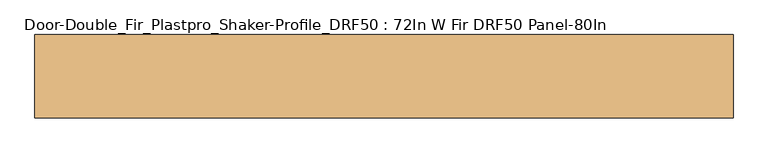
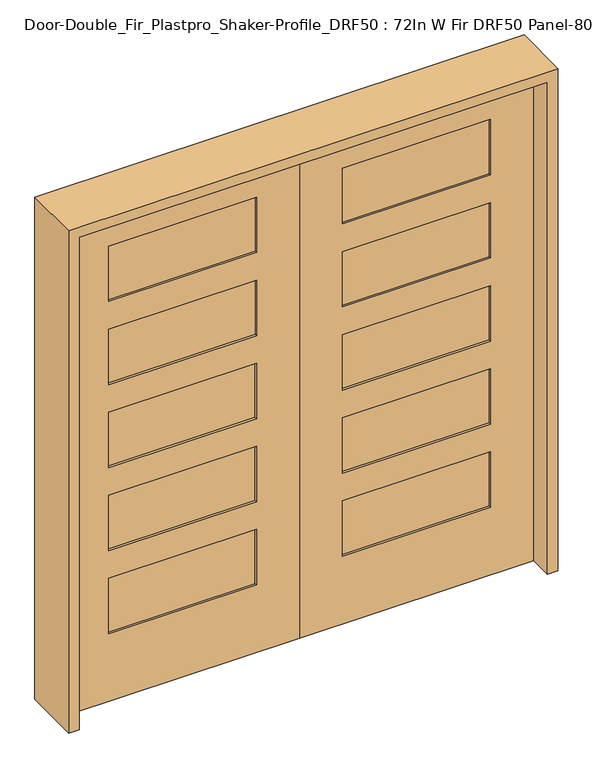
"""IFC4 building model written with IfcOpenShell, lengths in millimetres: door geometry, Door-Double_Fir_Plastpro_Shaker-Profile_DRF50 : 72In W Fir DRF50 Panel-80In."""

from ifc_helpers import new_model, si_unit, frame, origin, place, context, project, spatial, polyline, outline, extrude, faceted_brep, source, transform, mapped, element, save


def door_double_fir_plastpro_shaker_profile_drf50_72in_w_fir_e8a4a847(model_context):
    return source(origin(), model_context, "Body", "SolidModel", [
        faceted_brep([(-914.4, 20.574, 0.0), (0.0, 20.574, 0.0), (0.0, -20.701, 0.0), (-914.4, -20.701, 0.0), (-914.4, 20.574, 2032.0), (-914.4, -20.701, 2032.0), (0.0, -20.701, 2032.0), (-168.275, -20.701, 965.2), (-746.125, -20.701, 965.2), (-746.125, -20.701, 1193.8), (-168.275, -20.701, 1193.8), (-168.275, -20.701, 622.3), (-746.125, -20.701, 622.3), (-746.125, -20.701, 850.9), (-168.275, -20.701, 850.9), (-168.275, -20.701, 279.4), (-746.125, -20.701, 279.4), (-746.125, -20.701, 508.0), (-168.275, -20.701, 508.0), (-168.275, -20.701, 1651.0), (-746.125, -20.701, 1651.0), (-746.125, -20.701, 1879.6), (-168.275, -20.701, 1879.6), (-168.275, -20.701, 1308.1), (-746.125, -20.701, 1308.1), (-746.125, -20.701, 1536.7), (-168.275, -20.701, 1536.7), (0.0, 20.574, 2032.0), (-168.275, 20.574, 1193.8), (-746.125, 20.574, 1193.8), (-746.125, 20.574, 965.2), (-168.275, 20.574, 965.2), (-168.275, 20.574, 850.9), (-746.125, 20.574, 850.9), (-746.125, 20.574, 622.3), (-168.275, 20.574, 622.3), (-168.275, 20.574, 508.0), (-746.125, 20.574, 508.0), (-746.125, 20.574, 279.4), (-168.275, 20.574, 279.4), (-168.275, 20.574, 1879.6), (-746.125, 20.574, 1879.6), (-746.125, 20.574, 1651.0), (-168.275, 20.574, 1651.0), (-168.275, 20.574, 1536.7), (-746.125, 20.574, 1536.7), (-746.125, 20.574, 1308.1), (-168.275, 20.574, 1308.1), (-168.275, 11.5937439, 1193.8), (-168.275, 11.5937439, 965.2), (-746.125, 11.5937439, 965.2), (-746.125, 11.5937439, 1193.8), (-168.275, 11.5937439, 850.9), (-168.275, 11.5937439, 622.3), (-746.125, 11.5937439, 622.3), (-746.125, 11.5937439, 850.9), (-168.275, 11.5937439, 508.0), (-168.275, 11.5937439, 279.4), (-746.125, 11.5937439, 279.4), (-746.125, 11.5937439, 508.0), (-168.275, -11.7207439, 965.2), (-168.275, -11.7207439, 1193.8), (-746.125, -11.7207439, 1193.8), (-746.125, -11.7207439, 965.2), (-168.275, -11.7207439, 622.3), (-168.275, -11.7207439, 850.9), (-746.125, -11.7207439, 850.9), (-746.125, -11.7207439, 622.3), (-168.275, -11.7207439, 279.4), (-168.275, -11.7207439, 508.0), (-746.125, -11.7207439, 508.0), (-746.125, -11.7207439, 279.4), (-168.275, -11.7207439, 1651.0), (-168.275, -11.7207439, 1879.6), (-746.125, -11.7207439, 1879.6), (-746.125, -11.7207439, 1651.0), (-168.275, -11.7207439, 1308.1), (-168.275, -11.7207439, 1536.7), (-746.125, -11.7207439, 1536.7), (-746.125, -11.7207439, 1308.1), (-168.275, 11.5937439, 1651.0), (-746.125, 11.5937439, 1651.0), (-746.125, 11.5937439, 1879.6), (-168.275, 11.5937439, 1879.6), (-168.275, 11.5937439, 1308.1), (-746.125, 11.5937439, 1308.1), (-746.125, 11.5937439, 1536.7), (-168.275, 11.5937439, 1536.7)], [[[0, 1, 2, 3]], [[4, 0, 3, 5]], [[5, 3, 2, 6], [7, 8, 9, 10], [11, 12, 13, 14], [15, 16, 17, 18], [19, 20, 21, 22], [23, 24, 25, 26]], [[6, 2, 1, 27]], [[27, 1, 0, 4], [28, 29, 30, 31], [32, 33, 34, 35], [36, 37, 38, 39], [40, 41, 42, 43], [44, 45, 46, 47]], [[48, 28, 31, 49]], [[49, 31, 30, 50]], [[50, 30, 29, 51]], [[51, 29, 28, 48]], [[52, 32, 35, 53]], [[53, 35, 34, 54]], [[54, 34, 33, 55]], [[55, 33, 32, 52]], [[56, 36, 39, 57]], [[57, 39, 38, 58]], [[58, 38, 37, 59]], [[59, 37, 36, 56]], [[60, 7, 10, 61]], [[61, 10, 9, 62]], [[62, 9, 8, 63]], [[63, 8, 7, 60]], [[64, 11, 14, 65]], [[65, 14, 13, 66]], [[66, 13, 12, 67]], [[67, 12, 11, 64]], [[68, 15, 18, 69]], [[69, 18, 17, 70]], [[70, 17, 16, 71]], [[71, 16, 15, 68]], [[60, 61, 62, 63]], [[64, 65, 66, 67]], [[68, 69, 70, 71]], [[72, 73, 74, 75]], [[76, 77, 78, 79]], [[49, 50, 51, 48]], [[53, 54, 55, 52]], [[57, 58, 59, 56]], [[80, 81, 82, 83]], [[84, 85, 86, 87]], [[4, 5, 6, 27]], [[72, 19, 22, 73]], [[73, 22, 21, 74]], [[74, 21, 20, 75]], [[75, 20, 19, 72]], [[76, 23, 26, 77]], [[77, 26, 25, 78]], [[78, 25, 24, 79]], [[79, 24, 23, 76]], [[83, 40, 43, 80]], [[82, 41, 40, 83]], [[81, 42, 41, 82]], [[80, 43, 42, 81]], [[87, 44, 47, 84]], [[86, 45, 44, 87]], [[85, 46, 45, 86]], [[84, 47, 46, 85]]]),
        faceted_brep([(914.4, 20.574, 0.0), (914.4, -20.701, 0.0), (0.0, -20.701, 0.0), (0.0, 20.574, 0.0), (914.4, 20.574, 2032.0), (914.4, -20.701, 2032.0), (0.0, -20.701, 2032.0), (168.275, -20.701, 965.2), (168.275, -20.701, 1193.8), (746.125, -20.701, 1193.8), (746.125, -20.701, 965.2), (168.275, -20.701, 622.3), (168.275, -20.701, 850.9), (746.125, -20.701, 850.9), (746.125, -20.701, 622.3), (168.275, -20.701, 279.4), (168.275, -20.701, 508.0), (746.125, -20.701, 508.0), (746.125, -20.701, 279.4), (168.275, -20.701, 1651.0), (168.275, -20.701, 1879.6), (746.125, -20.701, 1879.6), (746.125, -20.701, 1651.0), (168.275, -20.701, 1308.1), (168.275, -20.701, 1536.7), (746.125, -20.701, 1536.7), (746.125, -20.701, 1308.1), (0.0, 20.574, 2032.0), (168.275, 20.574, 1193.8), (168.275, 20.574, 965.2), (746.125, 20.574, 965.2), (746.125, 20.574, 1193.8), (168.275, 20.574, 850.9), (168.275, 20.574, 622.3), (746.125, 20.574, 622.3), (746.125, 20.574, 850.9), (168.275, 20.574, 508.0), (168.275, 20.574, 279.4), (746.125, 20.574, 279.4), (746.125, 20.574, 508.0), (168.275, 20.574, 1879.6), (168.275, 20.574, 1651.0), (746.125, 20.574, 1651.0), (746.125, 20.574, 1879.6), (168.275, 20.574, 1536.7), (168.275, 20.574, 1308.1), (746.125, 20.574, 1308.1), (746.125, 20.574, 1536.7), (168.275, 11.5937439, 1193.8), (168.275, 11.5937439, 965.2), (746.125, 11.5937439, 965.2), (746.125, 11.5937439, 1193.8), (168.275, 11.5937439, 850.9), (168.275, 11.5937439, 622.3), (746.125, 11.5937439, 622.3), (746.125, 11.5937439, 850.9), (168.275, 11.5937439, 508.0), (168.275, 11.5937439, 279.4), (746.125, 11.5937439, 279.4), (746.125, 11.5937439, 508.0), (168.275, -11.7207439, 965.2), (168.275, -11.7207439, 1193.8), (746.125, -11.7207439, 1193.8), (746.125, -11.7207439, 965.2), (168.275, -11.7207439, 622.3), (168.275, -11.7207439, 850.9), (746.125, -11.7207439, 850.9), (746.125, -11.7207439, 622.3), (168.275, -11.7207439, 279.4), (168.275, -11.7207439, 508.0), (746.125, -11.7207439, 508.0), (746.125, -11.7207439, 279.4), (168.275, -11.7207439, 1651.0), (746.125, -11.7207439, 1651.0), (746.125, -11.7207439, 1879.6), (168.275, -11.7207439, 1879.6), (168.275, -11.7207439, 1308.1), (746.125, -11.7207439, 1308.1), (746.125, -11.7207439, 1536.7), (168.275, -11.7207439, 1536.7), (168.275, 11.5937439, 1651.0), (168.275, 11.5937439, 1879.6), (746.125, 11.5937439, 1879.6), (746.125, 11.5937439, 1651.0), (168.275, 11.5937439, 1308.1), (168.275, 11.5937439, 1536.7), (746.125, 11.5937439, 1536.7), (746.125, 11.5937439, 1308.1)], [[[0, 1, 2, 3]], [[4, 5, 1, 0]], [[5, 6, 2, 1], [7, 8, 9, 10], [11, 12, 13, 14], [15, 16, 17, 18], [19, 20, 21, 22], [23, 24, 25, 26]], [[6, 27, 3, 2]], [[27, 4, 0, 3], [28, 29, 30, 31], [32, 33, 34, 35], [36, 37, 38, 39], [40, 41, 42, 43], [44, 45, 46, 47]], [[48, 49, 29, 28]], [[49, 50, 30, 29]], [[50, 51, 31, 30]], [[51, 48, 28, 31]], [[52, 53, 33, 32]], [[53, 54, 34, 33]], [[54, 55, 35, 34]], [[55, 52, 32, 35]], [[56, 57, 37, 36]], [[57, 58, 38, 37]], [[58, 59, 39, 38]], [[59, 56, 36, 39]], [[60, 61, 8, 7]], [[61, 62, 9, 8]], [[62, 63, 10, 9]], [[63, 60, 7, 10]], [[64, 65, 12, 11]], [[65, 66, 13, 12]], [[66, 67, 14, 13]], [[67, 64, 11, 14]], [[68, 69, 16, 15]], [[69, 70, 17, 16]], [[70, 71, 18, 17]], [[71, 68, 15, 18]], [[60, 63, 62, 61]], [[64, 67, 66, 65]], [[68, 71, 70, 69]], [[72, 73, 74, 75]], [[76, 77, 78, 79]], [[49, 48, 51, 50]], [[53, 52, 55, 54]], [[57, 56, 59, 58]], [[80, 81, 82, 83]], [[84, 85, 86, 87]], [[4, 27, 6, 5]], [[72, 75, 20, 19]], [[75, 74, 21, 20]], [[74, 73, 22, 21]], [[73, 72, 19, 22]], [[76, 79, 24, 23]], [[79, 78, 25, 24]], [[78, 77, 26, 25]], [[77, 76, 23, 26]], [[81, 80, 41, 40]], [[82, 81, 40, 43]], [[83, 82, 43, 42]], [[80, 83, 42, 41]], [[85, 84, 45, 44]], [[86, 85, 44, 47]], [[87, 86, 47, 46]], [[84, 87, 46, 45]]]),
        extrude(outline(polyline([(2073.275, -955.675), (0.0, -955.675), (0.0, -914.4), (2032.0, -914.4), (2032.0, 914.4), (0.0, 914.4), (0.0, 955.675), (2073.275, 955.675), (2073.275, -955.675)])), frame((0.0, -114.3, 0.0), z_axis=(0.0, 1.0, 0.0), x_axis=(0.0, 0.0, 1.0)), (0.0, 0.0, 1.0), 228.6),
    ])


if __name__ == "__main__":
    model = new_model("IFC4")
    model_context = context("Model", 3, world=origin())
    ifc_project = project(units=[si_unit("LENGTHUNIT", "METRE", prefix="MILLI")], contexts=[model_context])
    site = spatial("IfcSite", under=ifc_project)
    building = spatial("IfcBuilding", under=site)
    placement = place(None, origin())
    door_double_fir_plastpro_shaker_profile_drf50_72in_w_fir_shape = door_double_fir_plastpro_shaker_profile_drf50_72in_w_fir_e8a4a847(model_context)
    element("IfcDoor", 1, ObjectType="Door-Double_Fir_Plastpro_Shaker-Profile_DRF50 : 72In W Fir DRF50 Panel-80In", at=placement, inside=building, context=model_context, shape_type="MappedRepresentation", body=[
        mapped(door_double_fir_plastpro_shaker_profile_drf50_72in_w_fir_shape, transform((0.0, 0.0, 0.0), x_axis=(1.0, 0.0, 0.0), y_axis=(0.0, 1.0, 0.0), z_axis=(0.0, 0.0, 1.0))),
    ])
    save(model, "model.ifc")
